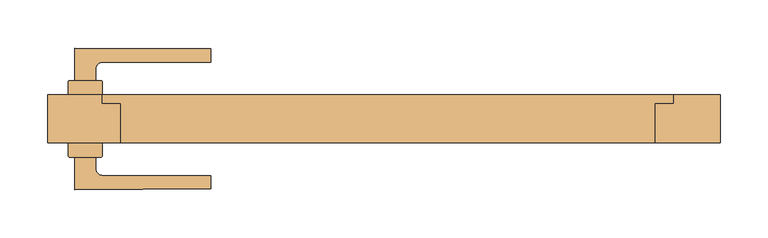
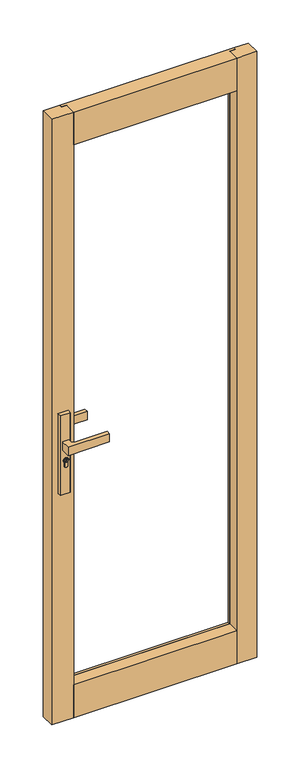
"""IFC4 building model written with IfcOpenShell, lengths in millimetres: door geometry."""

from ifc_helpers import new_model, si_unit, point, frame, frame_2d, origin, place, context, project, spatial, polyline, circle_curve, trimmed, segment, composite_curve, outline, extrude, faceted_brep, source, transform, mapped, element, save


def door_2c8c07fa(model_context):
    return source(origin(), model_context, "Body", "SolidModel", [
        extrude(outline(composite_curve([segment(trimmed(circle_curve(frame_2d((945.687184, -315.651515)), 5.9005564), [point((945.687184, -309.7509586))], [point((945.687184, -321.5520714))], False, "CARTESIAN"), True, "CONTINUOUS"), segment(trimmed(circle_curve(frame_2d((945.687184, -315.651515)), 5.9005564), [point((945.687184, -321.5520714))], [point((945.687184, -309.7509586))], False, "CARTESIAN"), True, "CONTINUOUS")], self_intersect=False), holes=[polyline([(946.7492167, -316.7155863), (949.7292167, -316.7155863), (949.7292167, -314.6676469), (948.9292167, -314.6676469), (948.3483344, -315.7155863), (947.1634303, -315.7155863), (946.3431864, -314.8953425), (944.6002002, -314.8953425), (944.0258593, -315.7155863), (941.7685105, -315.7155863), (941.7685105, -316.7155863), (944.5464263, -316.7155863), (945.1207673, -315.8953425), (945.9289729, -315.8953425), (946.7492167, -316.7155863)])]), frame((0.0, -44.6737903, 0.0), z_axis=(0.0, 1.0, 0.0), x_axis=(0.0, 0.0, 1.0)), (0.0, 0.0, 1.0), 4.423715),
        extrude(outline(composite_curve([segment(polyline([(-333.3000337, -39.0000748), (-333.3000337, -25.0000751), (-298.3000339, -25.0000751), (-298.3000339, -39.0000748)]), True, "CONTINUOUS"), segment(trimmed(circle_curve(frame_2d((-299.3000339, -39.0000748)), 1.0), [point((-298.3000339, -39.0000748))], [point((-299.3000339, -40.0000748))], False, "CARTESIAN"), True, "CONTINUOUS"), segment(polyline([(-299.3000339, -40.0000748), (-332.3000337, -40.0000748)]), True, "CONTINUOUS"), segment(trimmed(circle_curve(frame_2d((-332.3000337, -39.0000748)), 1.0), [point((-332.3000337, -40.0000748))], [point((-333.3000337, -39.0000748))], False, "CARTESIAN"), True, "CONTINUOUS")], self_intersect=False)), frame((0.0, 0.0, 822.4734334), z_axis=(0.0, 0.0, 1.0), x_axis=(1.0, 0.0, 0.0)), (0.0, 0.0, 1.0), 287.6450734),
        extrude(outline(composite_curve([segment(trimmed(circle_curve(frame_2d((-332.3000337, 38.9999345)), 1.0), [point((-333.3000337, 38.9999345))], [point((-332.3000337, 39.9999345))], False, "CARTESIAN"), True, "CONTINUOUS"), segment(polyline([(-332.3000337, 39.9999345), (-299.3000339, 39.9999345)]), True, "CONTINUOUS"), segment(trimmed(circle_curve(frame_2d((-299.3000339, 38.9999345)), 1.0), [point((-299.3000339, 39.9999345))], [point((-298.3000339, 38.9999345))], False, "CARTESIAN"), True, "CONTINUOUS"), segment(polyline([(-298.3000339, 38.9999345), (-298.3000339, 24.9999349), (-333.3000337, 24.9999349), (-333.3000337, 38.9999345)]), True, "CONTINUOUS")], self_intersect=False)), frame((0.0, 0.0, 822.4734334), z_axis=(0.0, 0.0, 1.0), x_axis=(1.0, 0.0, 0.0)), (0.0, 0.0, 1.0), 287.6450734),
        extrude(outline(composite_curve([segment(trimmed(circle_curve(frame_2d((945.687184, -315.651515)), 8.4005564), [point((939.648662, -309.811515))], [point((939.2521745, -321.051515))], False, "CARTESIAN"), True, "CONTINUOUS"), segment(polyline([(939.2521745, -321.051515), (926.2077404, -321.051515)]), True, "CONTINUOUS"), segment(trimmed(circle_curve(frame_2d((926.2077404, -315.431515)), 5.62), [point((926.2077404, -321.051515))], [point((926.2077404, -309.811515))], False, "CARTESIAN"), True, "CONTINUOUS"), segment(polyline([(926.2077404, -309.811515), (939.648662, -309.811515)]), True, "CONTINUOUS")], self_intersect=False), holes=[composite_curve([segment(trimmed(circle_curve(frame_2d((945.687184, -315.651515)), 6.4005564), [point((945.687184, -309.2509586))], [point((945.687184, -322.0520714))], True, "CARTESIAN"), True, "CONTINUOUS"), segment(trimmed(circle_curve(frame_2d((945.687184, -315.651515)), 6.4005564), [point((945.687184, -322.0520714))], [point((945.687184, -309.2509586))], True, "CARTESIAN"), True, "CONTINUOUS")], self_intersect=False)]), frame((0.0, -43.3094156, 0.0), z_axis=(0.0, 1.0, 0.0), x_axis=(0.0, 0.0, 1.0)), (0.0, 0.0, 1.0), 3.0593403),
        extrude(outline(composite_curve([segment(trimmed(circle_curve(frame_2d((945.687184, -315.651515)), 6.4005564), [point((945.687184, -322.0520714))], [point((945.687184, -309.2509586))], False, "CARTESIAN"), True, "CONTINUOUS"), segment(trimmed(circle_curve(frame_2d((945.687184, -315.651515)), 6.4005564), [point((945.687184, -309.2509586))], [point((945.687184, -322.0520714))], False, "CARTESIAN"), True, "CONTINUOUS")], self_intersect=False), holes=[composite_curve([segment(trimmed(circle_curve(frame_2d((945.687184, -315.651515)), 5.9005564), [point((945.687184, -321.5520714))], [point((945.687184, -309.7509586))], True, "CARTESIAN"), True, "CONTINUOUS"), segment(trimmed(circle_curve(frame_2d((945.687184, -315.651515)), 5.9005564), [point((945.687184, -309.7509586))], [point((945.687184, -321.5520714))], True, "CARTESIAN"), True, "CONTINUOUS")], self_intersect=False)]), frame((0.0, -43.3094156, 0.0), z_axis=(0.0, 1.0, 0.0), x_axis=(0.0, 0.0, 1.0)), (0.0, 0.0, 1.0), 3.0593403),
        extrude(outline(composite_curve([segment(polyline([(939.1595834, -321.251515), (926.2077404, -321.251515)]), True, "CONTINUOUS"), segment(trimmed(circle_curve(frame_2d((926.2077404, -315.431515)), 5.82), [point((926.2077404, -321.251515))], [point((926.2077404, -309.611515))], False, "CARTESIAN"), True, "CONTINUOUS"), segment(polyline([(926.2077404, -309.611515), (939.564442, -309.611515)]), True, "CONTINUOUS"), segment(trimmed(circle_curve(frame_2d((945.687184, -315.651515)), 8.6005564), [point((939.564442, -309.611515))], [point((939.1595834, -321.251515))], False, "CARTESIAN"), True, "CONTINUOUS")], self_intersect=False), holes=[composite_curve([segment(polyline([(926.2077404, -321.051515), (939.2521745, -321.051515)]), True, "CONTINUOUS"), segment(trimmed(circle_curve(frame_2d((945.687184, -315.651515)), 8.4005564), [point((939.2521745, -321.051515))], [point((939.648662, -309.811515))], True, "CARTESIAN"), True, "CONTINUOUS"), segment(polyline([(939.648662, -309.811515), (926.2077404, -309.811515)]), True, "CONTINUOUS"), segment(trimmed(circle_curve(frame_2d((926.2077404, -315.431515)), 5.62), [point((926.2077404, -309.811515))], [point((926.2077404, -321.051515))], True, "CARTESIAN"), True, "CONTINUOUS")], self_intersect=False)]), frame((0.0, -43.3094156, 0.0), z_axis=(0.0, 1.0, 0.0), x_axis=(0.0, 0.0, 1.0)), (0.0, 0.0, 1.0), 3.0593403),
        extrude(outline(composite_curve([segment(polyline([(-326.8000338, -73.8567161), (-326.8000338, -40.2500753), (-304.8000338, -40.2500753), (-304.8000338, -51.7500751)]), True, "CONTINUOUS"), segment(trimmed(circle_curve(frame_2d((-297.3000338, -51.7500751)), 7.5), [point((-304.8000338, -51.7500751))], [point((-297.2954991, -59.2500738))], True, "CARTESIAN"), True, "CONTINUOUS"), segment(polyline([(-297.2954991, -59.2500738), (-184.8000284, -59.2500738), (-184.8000284, -73.2500747)]), True, "CONTINUOUS"), segment(trimmed(circle_curve(frame_2d((-259.8000335, 862.7499249)), 939.0), [point((-184.8000284, -73.2500747))], [point((-326.8000338, -73.8567161))], False, "CARTESIAN"), True, "CONTINUOUS")], self_intersect=False)), frame((0.0, 0.0, 985.1796291), z_axis=(0.0, 0.0, 1.0), x_axis=(1.0, 0.0, 0.0)), (0.0, 0.0, 1.0), 29.6407418),
        extrude(outline(composite_curve([segment(trimmed(circle_curve(frame_2d((945.687184, -315.651515)), 5.9005564), [point((945.687184, -309.7509586))], [point((945.687184, -321.5520714))], False, "CARTESIAN"), True, "CONTINUOUS"), segment(trimmed(circle_curve(frame_2d((945.687184, -315.651515)), 5.9005564), [point((945.687184, -321.5520714))], [point((945.687184, -309.7509586))], False, "CARTESIAN"), True, "CONTINUOUS")], self_intersect=False), holes=[polyline([(946.7492167, -316.7155863), (949.7292167, -316.7155863), (949.7292167, -314.6676469), (948.9292167, -314.6676469), (948.3483344, -315.7155863), (947.1634303, -315.7155863), (946.3431864, -314.8953425), (944.6002002, -314.8953425), (944.0258593, -315.7155863), (941.7685105, -315.7155863), (941.7685105, -316.7155863), (944.5464263, -316.7155863), (945.1207673, -315.8953425), (945.9289729, -315.8953425), (946.7492167, -316.7155863)])]), frame((0.0, 40.249935, 0.0), z_axis=(0.0, 1.0, 0.0), x_axis=(0.0, 0.0, 1.0)), (0.0, 0.0, 1.0), 4.423715),
        extrude(outline(composite_curve([segment(trimmed(circle_curve(frame_2d((945.687184, -315.651515)), 8.4005564), [point((939.648662, -309.811515))], [point((939.2521745, -321.051515))], False, "CARTESIAN"), True, "CONTINUOUS"), segment(polyline([(939.2521745, -321.051515), (926.2077404, -321.051515)]), True, "CONTINUOUS"), segment(trimmed(circle_curve(frame_2d((926.2077404, -315.431515)), 5.62), [point((926.2077404, -321.051515))], [point((926.2077404, -309.811515))], False, "CARTESIAN"), True, "CONTINUOUS"), segment(polyline([(926.2077404, -309.811515), (939.648662, -309.811515)]), True, "CONTINUOUS")], self_intersect=False), holes=[composite_curve([segment(trimmed(circle_curve(frame_2d((945.687184, -315.651515)), 6.4005564), [point((945.687184, -309.2509586))], [point((945.687184, -322.0520714))], True, "CARTESIAN"), True, "CONTINUOUS"), segment(trimmed(circle_curve(frame_2d((945.687184, -315.651515)), 6.4005564), [point((945.687184, -322.0520714))], [point((945.687184, -309.2509586))], True, "CARTESIAN"), True, "CONTINUOUS")], self_intersect=False)]), frame((0.0, 40.249935, 0.0), z_axis=(0.0, 1.0, 0.0), x_axis=(0.0, 0.0, 1.0)), (0.0, 0.0, 1.0), 3.0593403),
        extrude(outline(composite_curve([segment(trimmed(circle_curve(frame_2d((945.687184, -315.651515)), 6.4005564), [point((945.687184, -322.0520714))], [point((945.687184, -309.2509586))], False, "CARTESIAN"), True, "CONTINUOUS"), segment(trimmed(circle_curve(frame_2d((945.687184, -315.651515)), 6.4005564), [point((945.687184, -309.2509586))], [point((945.687184, -322.0520714))], False, "CARTESIAN"), True, "CONTINUOUS")], self_intersect=False), holes=[composite_curve([segment(trimmed(circle_curve(frame_2d((945.687184, -315.651515)), 5.9005564), [point((945.687184, -321.5520714))], [point((945.687184, -309.7509586))], True, "CARTESIAN"), True, "CONTINUOUS"), segment(trimmed(circle_curve(frame_2d((945.687184, -315.651515)), 5.9005564), [point((945.687184, -309.7509586))], [point((945.687184, -321.5520714))], True, "CARTESIAN"), True, "CONTINUOUS")], self_intersect=False)]), frame((0.0, 40.249935, 0.0), z_axis=(0.0, 1.0, 0.0), x_axis=(0.0, 0.0, 1.0)), (0.0, 0.0, 1.0), 3.0593403),
        extrude(outline(composite_curve([segment(polyline([(939.1595834, -321.251515), (926.2077404, -321.251515)]), True, "CONTINUOUS"), segment(trimmed(circle_curve(frame_2d((926.2077404, -315.431515)), 5.82), [point((926.2077404, -321.251515))], [point((926.2077404, -309.611515))], False, "CARTESIAN"), True, "CONTINUOUS"), segment(polyline([(926.2077404, -309.611515), (939.564442, -309.611515)]), True, "CONTINUOUS"), segment(trimmed(circle_curve(frame_2d((945.687184, -315.651515)), 8.6005564), [point((939.564442, -309.611515))], [point((939.1595834, -321.251515))], False, "CARTESIAN"), True, "CONTINUOUS")], self_intersect=False), holes=[composite_curve([segment(polyline([(926.2077404, -321.051515), (939.2521745, -321.051515)]), True, "CONTINUOUS"), segment(trimmed(circle_curve(frame_2d((945.687184, -315.651515)), 8.4005564), [point((939.2521745, -321.051515))], [point((939.648662, -309.811515))], True, "CARTESIAN"), True, "CONTINUOUS"), segment(polyline([(939.648662, -309.811515), (926.2077404, -309.811515)]), True, "CONTINUOUS"), segment(trimmed(circle_curve(frame_2d((926.2077404, -315.431515)), 5.62), [point((926.2077404, -309.811515))], [point((926.2077404, -321.051515))], True, "CARTESIAN"), True, "CONTINUOUS")], self_intersect=False)]), frame((0.0, 40.249935, 0.0), z_axis=(0.0, 1.0, 0.0), x_axis=(0.0, 0.0, 1.0)), (0.0, 0.0, 1.0), 3.0593403),
        extrude(outline(composite_curve([segment(trimmed(circle_curve(frame_2d((-259.8000335, -862.7500651)), 939.0), [point((-326.8000338, 73.8565759))], [point((-184.8000284, 73.2499345))], False, "CARTESIAN"), True, "CONTINUOUS"), segment(polyline([(-184.8000284, 73.2499345), (-184.8000284, 59.2499335), (-297.2954991, 59.2499335)]), True, "CONTINUOUS"), segment(trimmed(circle_curve(frame_2d((-297.3000338, 51.7499349)), 7.5), [point((-297.2954991, 59.2499335))], [point((-304.8000338, 51.7499349))], True, "CARTESIAN"), True, "CONTINUOUS"), segment(polyline([(-304.8000338, 51.7499349), (-304.8000338, 40.249935), (-326.8000338, 40.249935), (-326.8000338, 73.8565759)]), True, "CONTINUOUS")], self_intersect=False)), frame((0.0, 0.0, 985.1796291), z_axis=(0.0, 0.0, 1.0), x_axis=(1.0, 0.0, 0.0)), (0.0, 0.0, 1.0), 29.6407418),
        faceted_brep([(-278.8000837, -25.0000651, 2063.0399064), (-278.8000837, -25.0000651, 2182.0899064), (-278.8000837, 15.9994771, 2182.0899064), (-278.8000837, 15.9994771, 2082.0399064), (-278.8000837, 15.9994771, 2063.0399064), (279.0000593, -25.0000651, 2063.0399064), (279.0000593, 15.9994771, 2063.0399064), (279.0000593, 15.9994771, 2082.0399064), (279.0000593, 15.9994771, 2182.0899064), (279.0000593, -25.0000651, 2182.0899064), (-297.8000837, 15.9994771, 2082.0399064), (-297.8000837, 15.9994771, 2182.0899064), (-297.8000837, 24.9999674, 2182.0899064), (-297.8000837, 24.9999674, 2082.0399064), (298.0000593, 15.9994771, 2082.0399064), (298.0000593, 24.9999674, 2082.0399064), (298.0000593, 24.9999674, 2182.0899064), (298.0000593, 15.9994771, 2182.0899064)], [[[0, 1, 2, 3, 4]], [[5, 6, 7, 8, 9]], [[1, 0, 5, 9]], [[0, 4, 6, 5]], [[6, 4, 3, 7]], [[10, 11, 12, 13]], [[14, 15, 16, 17]], [[11, 10, 3, 2]], [[14, 17, 8, 7]], [[10, 13, 15, 14, 7, 3]], [[13, 12, 16, 15]], [[12, 11, 2, 1, 9, 8, 17, 16]]]),
        faceted_brep([(-297.8000837, 24.9999349, 90.9821405), (-297.8000837, 24.9999349, -9.0178595), (-297.8000837, 15.9994771, -9.0178595), (-297.8000837, 15.9994771, 90.9821405), (298.0000593, 24.9999349, 90.9821405), (298.0000593, 15.9994771, 90.9821405), (298.0000593, 15.9994771, -9.0178595), (298.0000593, 24.9999349, -9.0178595), (-278.8000837, 15.9994771, 90.9821405), (279.0000593, 15.9994771, 90.9821405), (279.0000593, 15.9994771, -9.0178595), (279.0000593, -25.0000651, -9.0178595), (-278.8000837, -25.0000651, -9.0178595), (-278.8000837, 15.9994771, -9.0178595), (-278.8000837, -25.0000651, 109.9821405), (-278.8000837, 15.9994771, 109.9821405), (279.0000593, -25.0000651, 109.9821405), (279.0000593, 15.9994771, 109.9821405)], [[[0, 1, 2, 3]], [[4, 5, 6, 7]], [[0, 3, 8, 9, 5, 4]], [[1, 0, 4, 7]], [[2, 1, 7, 6, 10, 11, 12, 13]], [[14, 15, 8, 13, 12]], [[16, 11, 10, 9, 17]], [[14, 12, 11, 16]], [[15, 14, 16, 17]], [[15, 17, 9, 8]], [[3, 2, 13, 8]], [[6, 5, 9, 10]]]),
        extrude(outline(polyline([(279.0000573, 15.9994771), (279.0000573, 24.9999674), (298.0000593, 24.9999674), (298.0000593, 15.9994771), (279.0000573, 15.9994771)])), frame((0.0, 0.0, 90.9821405), z_axis=(0.0, 0.0, 1.0), x_axis=(1.0, 0.0, 0.0)), (0.0, 0.0, 1.0), 1991.057766),
        extrude(outline(polyline([(-278.8000837, -25.0000651), (-354.8000837, -25.0000651), (-354.8000837, 24.9999349), (-297.8000837, 24.9999349), (-297.8000837, 15.9994771), (-278.8000837, 15.9994771), (-278.8000837, -25.0000651)])), frame((0.0, 0.0, -9.0178595), z_axis=(0.0, 0.0, 1.0), x_axis=(1.0, 0.0, 0.0)), (0.0, 0.0, 1.0), 2191.107766),
        extrude(outline(polyline([(-278.8000837, 15.9994771), (-278.8000837, 24.9999674), (279.0000593, 24.9999674), (279.0000593, 15.9994771), (-278.8000837, 15.9994771)])), frame((0.0, 0.0, 2063.0399064), z_axis=(0.0, 0.0, 1.0), x_axis=(1.0, 0.0, 0.0)), (0.0, 0.0, 1.0), 19.0),
        extrude(outline(polyline([(-278.8000837, 15.9994771), (-278.8000837, 24.9999674), (279.0000593, 24.9999674), (279.0000593, 15.9994771), (-278.8000837, 15.9994771)])), frame((0.0, 0.0, 2063.0399044), z_axis=(0.0, 0.0, 1.0), x_axis=(1.0, 0.0, 0.0)), (0.0, 0.0, 1.0), 19.000002),
        extrude(outline(polyline([(-278.8000837, 15.9994771), (-278.8000837, 24.9999349), (279.0000593, 24.9999349), (279.0000593, 15.9994771), (-278.8000837, 15.9994771)])), frame((0.0, 0.0, 90.9821405), z_axis=(0.0, 0.0, 1.0), x_axis=(1.0, 0.0, 0.0)), (0.0, 0.0, 1.0), 19.0),
        extrude(outline(polyline([(279.0000573, 15.9994771), (279.0000573, 24.9999674), (298.0000593, 24.9999674), (298.0000593, 15.9994771), (279.0000573, 15.9994771)])), frame((0.0, 0.0, 90.9821405), z_axis=(0.0, 0.0, 1.0), x_axis=(1.0, 0.0, 0.0)), (0.0, 0.0, 1.0), 1991.057766),
        extrude(outline(polyline([(-278.8000837, 15.9994771), (-297.8000837, 15.9994771), (-297.8000837, 24.9999349), (-278.8000837, 24.9999349), (-278.8000837, 15.9994771)])), frame((0.0, 0.0, 90.9821405), z_axis=(0.0, 0.0, 1.0), x_axis=(1.0, 0.0, 0.0)), (0.0, 0.0, 1.0), 1991.057766),
        extrude(outline(polyline([(279.0000593, -25.0000651), (279.0000593, 15.9994771), (298.0000593, 15.9994771), (298.0000593, 24.9999674), (347.0000593, 24.9999674), (347.0000593, -25.0000651), (279.0000593, -25.0000651)])), frame((0.0, 0.0, -9.0178595), z_axis=(0.0, 0.0, 1.0), x_axis=(1.0, 0.0, 0.0)), (0.0, 0.0, 1.0), 2191.107766),
    ])


if __name__ == "__main__":
    model = new_model("IFC4")
    model_context = context("Model", 3, world=origin())
    ifc_project = project(units=[si_unit("LENGTHUNIT", "METRE", prefix="MILLI")], contexts=[model_context])
    site = spatial("IfcSite", under=ifc_project)
    building = spatial("IfcBuilding", under=site)
    placement = place(None, origin())
    door_shape = door_2c8c07fa(model_context)
    element("IfcDoor", 1, at=placement, inside=building, context=model_context, shape_type="MappedRepresentation", body=[
        mapped(door_shape, transform((0.0, 0.0, 0.0), x_axis=(1.0, 0.0, 0.0), y_axis=(0.0, 1.0, 0.0), z_axis=(0.0, 0.0, 1.0))),
    ])
    save(model, "model.ifc")
